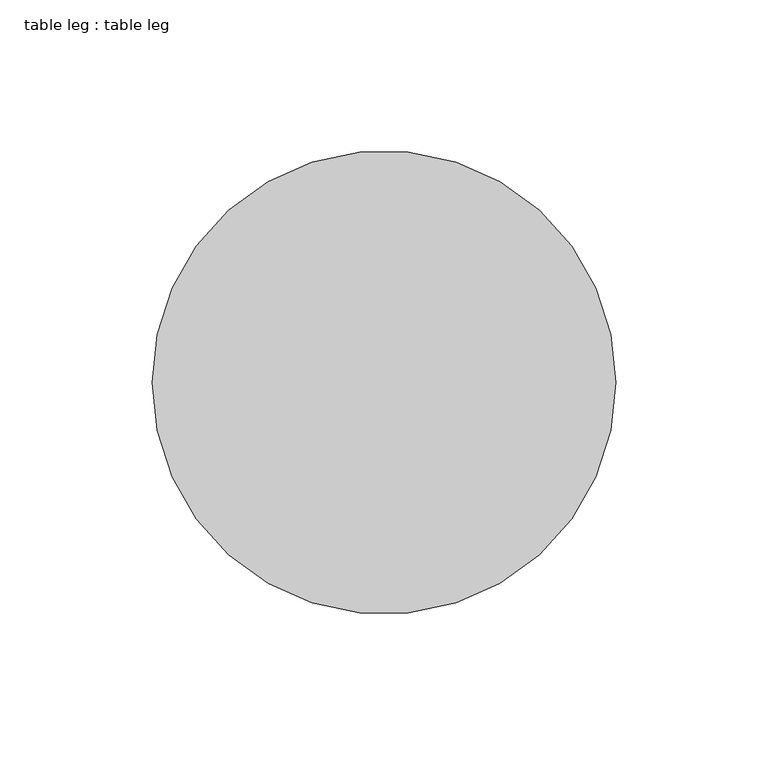
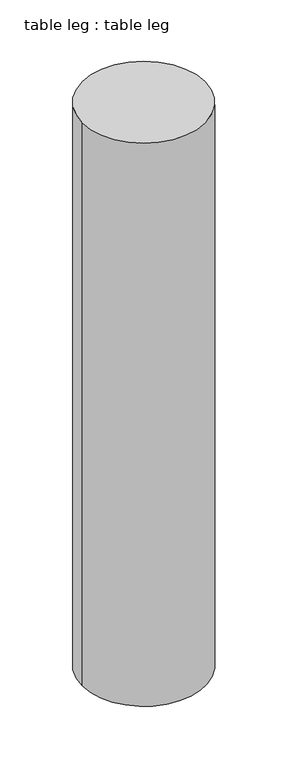
"""IFC4 building model written with IfcOpenShell, lengths in millimetres: furniture geometry, table leg : table leg."""

from ifc_helpers import new_model, si_unit, point, frame_2d, origin, origin_with_axes, place, context, project, spatial, circle_curve, trimmed, segment, composite_curve, outline, extrude, source, transform, mapped, element, save


def table_leg_table_leg_1cbe2834(model_context):
    return source(origin(), model_context, "Body", "SweptSolid", [
        extrude(outline(composite_curve([segment(trimmed(circle_curve(frame_2d((12399.7979853, 26061.0380589)), 76.2), [point((12323.5979853, 26061.0380589))], [point((12475.9979853, 26061.0380589))], False, "CARTESIAN"), True, "CONTINUOUS"), segment(trimmed(circle_curve(frame_2d((12399.7979853, 26061.0380589)), 76.2), [point((12475.9979853, 26061.0380589))], [point((12323.5979853, 26061.0380589))], False, "CARTESIAN"), True, "CONTINUOUS")], self_intersect=False)), origin_with_axes(), (0.0, 0.0, 1.0), 736.6),
    ])


if __name__ == "__main__":
    model = new_model("IFC4")
    model_context = context("Model", 3, world=origin())
    ifc_project = project(units=[si_unit("LENGTHUNIT", "METRE", prefix="MILLI")], contexts=[model_context])
    site = spatial("IfcSite", under=ifc_project)
    building = spatial("IfcBuilding", under=site)
    placement = place(None, origin())
    table_leg_table_leg_shape = table_leg_table_leg_1cbe2834(model_context)
    element("IfcFurniture", 1, ObjectType="table leg : table leg", at=placement, inside=building, context=model_context, shape_type="MappedRepresentation", body=[
        mapped(table_leg_table_leg_shape, transform((0.0, 0.0, 0.0), x_axis=(1.0, 0.0, 0.0), y_axis=(0.0, 1.0, 0.0), z_axis=(0.0, 0.0, 1.0))),
    ])
    save(model, "model.ifc")
